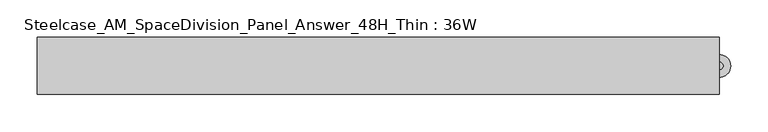
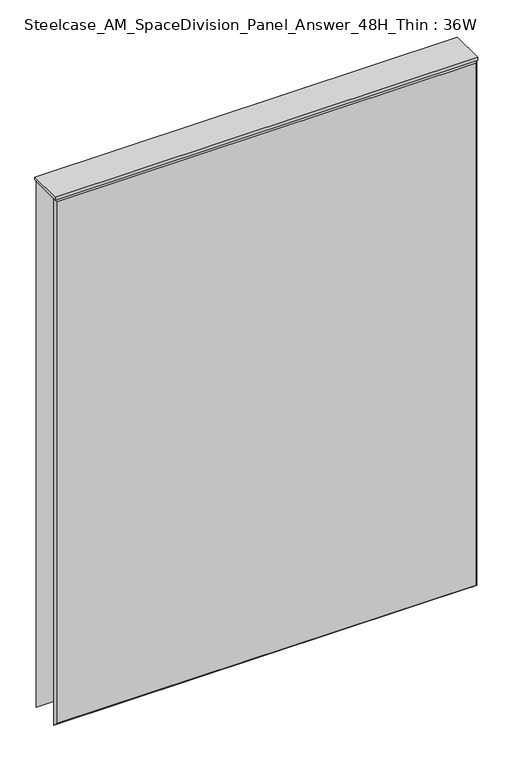
"""IFC4 building model written with IfcOpenShell, lengths in millimetres: furniture geometry, Steelcase_AM_SpaceDivision_Panel_Answer_48H_Thin : 36W."""

from ifc_helpers import new_model, si_unit, point, frame, frame_2d, origin, place, context, project, spatial, polyline, circle_curve, trimmed, segment, composite_curve, outline, extrude, faceted_brep, source, transform, mapped, element, save


def steelcase_am_spacedivision_panel_answer_48h_thin_36w_77d0692e(model_context):
    return source(origin(), model_context, "Body", "SolidModel", [
        extrude(outline(composite_curve([segment(trimmed(circle_curve(frame_2d((457.2, -1.94e-05)), 5.08), [point((462.28, -1.94e-05))], [point((452.12, -1.94e-05))], False, "CARTESIAN"), True, "CONTINUOUS"), segment(trimmed(circle_curve(frame_2d((457.2, -1.94e-05)), 5.08), [point((452.12, -1.94e-05))], [point((462.28, -1.94e-05))], False, "CARTESIAN"), True, "CONTINUOUS")], self_intersect=False)), frame((0.0, 0.0, 5.0799671), z_axis=(0.0, 0.0, 1.0), x_axis=(1.0, 0.0, 0.0)), (0.0, 0.0, 1.0), 10.414),
        extrude(outline(composite_curve([segment(trimmed(circle_curve(frame_2d((457.2, -1.94e-05)), 15.24), [point((472.44, -1.94e-05))], [point((441.96, -1.94e-05))], False, "CARTESIAN"), True, "CONTINUOUS"), segment(trimmed(circle_curve(frame_2d((457.2, -1.94e-05)), 15.24), [point((441.96, -1.94e-05))], [point((472.44, -1.94e-05))], False, "CARTESIAN"), True, "CONTINUOUS")], self_intersect=False)), frame((0.0, 0.0, -3.29e-05), z_axis=(0.0, 0.0, 1.0), x_axis=(1.0, 0.0, 0.0)), (0.0, 0.0, 1.0), 5.08),
        faceted_brep([(-452.374, 38.0960551, 1214.374), (452.374, 38.0960551, 1214.374), (452.374, 38.0960551, 20.32), (-452.374, 38.0960551, 20.32), (-457.2, 33.2700551, 1219.2), (-457.2, 33.2700551, 15.494), (457.2, 33.2700551, 15.494), (457.2, 33.2700551, 1219.2)], [[[0, 1, 2, 3]], [[4, 5, 6, 7]], [[4, 7, 1, 0]], [[7, 6, 2, 1]], [[6, 5, 3, 2]], [[5, 4, 0, 3]]]),
        faceted_brep([(452.374, -38.0960551, 1214.374), (-452.374, -38.0960551, 1214.374), (-452.374, -38.0960551, 20.32), (452.374, -38.0960551, 20.32), (457.2, -33.2700551, 1219.2), (457.2, -33.2700551, 15.494), (-457.2, -33.2700551, 15.494), (-457.2, -33.2700551, 1219.2)], [[[0, 1, 2, 3]], [[4, 5, 6, 7]], [[4, 7, 1, 0]], [[7, 6, 2, 1]], [[6, 5, 3, 2]], [[5, 4, 0, 3]]]),
        extrude(outline(polyline([(457.2, 38.1000194), (457.2, -38.1000194), (-457.2, -38.1000194), (-457.2, 38.1000194), (457.2, 38.1000194)])), frame((0.0, 0.0, 1219.2), z_axis=(0.0, 0.0, 1.0), x_axis=(1.0, 0.0, 0.0)), (0.0, 0.0, 1.0), 6.35),
    ])


if __name__ == "__main__":
    model = new_model("IFC4")
    model_context = context("Model", 3, world=origin())
    ifc_project = project(units=[si_unit("LENGTHUNIT", "METRE", prefix="MILLI")], contexts=[model_context])
    site = spatial("IfcSite", under=ifc_project)
    building = spatial("IfcBuilding", under=site)
    placement = place(None, origin())
    steelcase_am_spacedivision_panel_answer_48h_thin_36w_shape = steelcase_am_spacedivision_panel_answer_48h_thin_36w_77d0692e(model_context)
    element("IfcFurniture", 1, ObjectType="Steelcase_AM_SpaceDivision_Panel_Answer_48H_Thin : 36W", at=placement, inside=building, context=model_context, shape_type="MappedRepresentation", body=[
        mapped(steelcase_am_spacedivision_panel_answer_48h_thin_36w_shape, transform((0.0, 0.0, 0.0), x_axis=(1.0, 0.0, 0.0), y_axis=(0.0, 1.0, 0.0), z_axis=(0.0, 0.0, 1.0))),
    ])
    save(model, "model.ifc")
